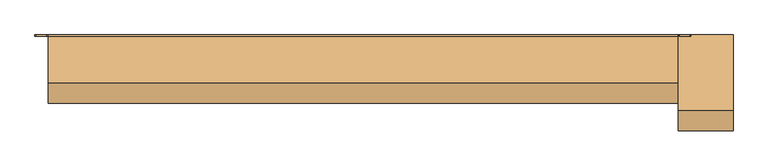
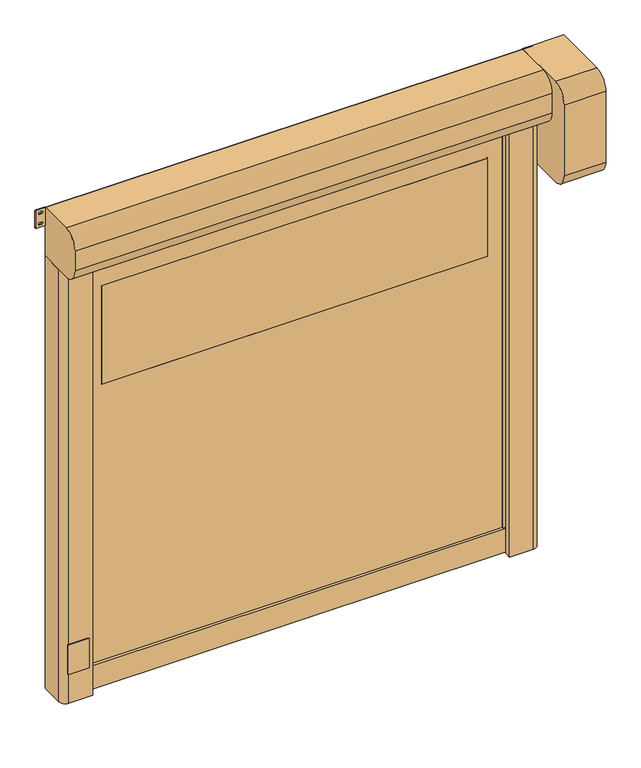
"""IFC4 building model written with IfcOpenShell, lengths in millimetres: door geometry."""

from ifc_helpers import new_model, si_unit, point, frame, frame_2d, origin, origin_with_axes, place, context, project, spatial, polyline, circle_curve, trimmed, segment, composite_curve, outline, extrude, source, transform, mapped, element, save


def door_fc38a23d(model_context):
    return source(origin(), model_context, "Body", "SweptSolid", [
        extrude(outline(composite_curve([segment(trimmed(circle_curve(frame_2d((1416.6666667, 1041.0)), 6.0), [point((1422.6666667, 1041.0))], [point((1410.6666667, 1041.0))], False, "CARTESIAN"), True, "CONTINUOUS"), segment(polyline([(1410.6666667, 1041.0), (1410.6666667, 1059.0)]), True, "CONTINUOUS"), segment(trimmed(circle_curve(frame_2d((1416.6666667, 1059.0)), 6.0), [point((1410.6666667, 1059.0))], [point((1422.6666667, 1059.0))], False, "CARTESIAN"), True, "CONTINUOUS"), segment(polyline([(1422.6666667, 1059.0), (1422.6666667, 1041.0)]), True, "CONTINUOUS")], self_intersect=False)), frame((0.0, -20.0, 0.0), z_axis=(0.0, 1.0, 0.0), x_axis=(0.0, 0.0, 1.0)), (0.0, 0.0, 1.0), 20.0),
        extrude(outline(composite_curve([segment(trimmed(circle_curve(frame_2d((783.3333333, 1041.0)), 6.0), [point((789.3333333, 1041.0))], [point((777.3333333, 1041.0))], False, "CARTESIAN"), True, "CONTINUOUS"), segment(polyline([(777.3333333, 1041.0), (777.3333333, 1059.0)]), True, "CONTINUOUS"), segment(trimmed(circle_curve(frame_2d((783.3333333, 1059.0)), 6.0), [point((777.3333333, 1059.0))], [point((789.3333333, 1059.0))], False, "CARTESIAN"), True, "CONTINUOUS"), segment(polyline([(789.3333333, 1059.0), (789.3333333, 1041.0)]), True, "CONTINUOUS")], self_intersect=False)), frame((0.0, -20.0, 0.0), z_axis=(0.0, 1.0, 0.0), x_axis=(0.0, 0.0, 1.0)), (0.0, 0.0, 1.0), 20.0),
        extrude(outline(composite_curve([segment(trimmed(circle_curve(frame_2d((2050.0, 1041.0)), 6.0), [point((2056.0, 1041.0))], [point((2044.0, 1041.0))], False, "CARTESIAN"), True, "CONTINUOUS"), segment(polyline([(2044.0, 1041.0), (2044.0, 1059.0)]), True, "CONTINUOUS"), segment(trimmed(circle_curve(frame_2d((2050.0, 1059.0)), 6.0), [point((2044.0, 1059.0))], [point((2056.0, 1059.0))], False, "CARTESIAN"), True, "CONTINUOUS"), segment(polyline([(2056.0, 1059.0), (2056.0, 1041.0)]), True, "CONTINUOUS")], self_intersect=False)), frame((0.0, -20.0, 0.0), z_axis=(0.0, 1.0, 0.0), x_axis=(0.0, 0.0, 1.0)), (0.0, 0.0, 1.0), 20.0),
        extrude(outline(composite_curve([segment(trimmed(circle_curve(frame_2d((150.0, 1041.0)), 6.0), [point((156.0, 1041.0))], [point((144.0, 1041.0))], False, "CARTESIAN"), True, "CONTINUOUS"), segment(polyline([(144.0, 1041.0), (144.0, 1059.0)]), True, "CONTINUOUS"), segment(trimmed(circle_curve(frame_2d((150.0, 1059.0)), 6.0), [point((144.0, 1059.0))], [point((156.0, 1059.0))], False, "CARTESIAN"), True, "CONTINUOUS"), segment(polyline([(156.0, 1059.0), (156.0, 1041.0)]), True, "CONTINUOUS")], self_intersect=False)), frame((0.0, -20.0, 0.0), z_axis=(0.0, 1.0, 0.0), x_axis=(0.0, 0.0, 1.0)), (0.0, 0.0, 1.0), 20.0),
        extrude(outline(composite_curve([segment(polyline([(1422.6666667, -1041.0), (1422.6666667, -1059.0)]), True, "CONTINUOUS"), segment(trimmed(circle_curve(frame_2d((1416.6666667, -1059.0)), 6.0), [point((1422.6666667, -1059.0))], [point((1410.6666667, -1059.0))], False, "CARTESIAN"), True, "CONTINUOUS"), segment(polyline([(1410.6666667, -1059.0), (1410.6666667, -1041.0)]), True, "CONTINUOUS"), segment(trimmed(circle_curve(frame_2d((1416.6666667, -1041.0)), 6.0), [point((1410.6666667, -1041.0))], [point((1422.6666667, -1041.0))], False, "CARTESIAN"), True, "CONTINUOUS")], self_intersect=False)), frame((0.0, -20.0, 0.0), z_axis=(0.0, 1.0, 0.0), x_axis=(0.0, 0.0, 1.0)), (0.0, 0.0, 1.0), 20.0),
        extrude(outline(composite_curve([segment(polyline([(789.3333333, -1041.0), (789.3333333, -1059.0)]), True, "CONTINUOUS"), segment(trimmed(circle_curve(frame_2d((783.3333333, -1059.0)), 6.0), [point((789.3333333, -1059.0))], [point((777.3333333, -1059.0))], False, "CARTESIAN"), True, "CONTINUOUS"), segment(polyline([(777.3333333, -1059.0), (777.3333333, -1041.0)]), True, "CONTINUOUS"), segment(trimmed(circle_curve(frame_2d((783.3333333, -1041.0)), 6.0), [point((777.3333333, -1041.0))], [point((789.3333333, -1041.0))], False, "CARTESIAN"), True, "CONTINUOUS")], self_intersect=False)), frame((0.0, -20.0, 0.0), z_axis=(0.0, 1.0, 0.0), x_axis=(0.0, 0.0, 1.0)), (0.0, 0.0, 1.0), 20.0),
        extrude(outline(composite_curve([segment(polyline([(2056.0, -1041.0), (2056.0, -1059.0)]), True, "CONTINUOUS"), segment(trimmed(circle_curve(frame_2d((2050.0, -1059.0)), 6.0), [point((2056.0, -1059.0))], [point((2044.0, -1059.0))], False, "CARTESIAN"), True, "CONTINUOUS"), segment(polyline([(2044.0, -1059.0), (2044.0, -1041.0)]), True, "CONTINUOUS"), segment(trimmed(circle_curve(frame_2d((2050.0, -1041.0)), 6.0), [point((2044.0, -1041.0))], [point((2056.0, -1041.0))], False, "CARTESIAN"), True, "CONTINUOUS")], self_intersect=False)), frame((0.0, -20.0, 0.0), z_axis=(0.0, 1.0, 0.0), x_axis=(0.0, 0.0, 1.0)), (0.0, 0.0, 1.0), 20.0),
        extrude(outline(composite_curve([segment(polyline([(156.0, -1041.0), (156.0, -1059.0)]), True, "CONTINUOUS"), segment(trimmed(circle_curve(frame_2d((150.0, -1059.0)), 6.0), [point((156.0, -1059.0))], [point((144.0, -1059.0))], False, "CARTESIAN"), True, "CONTINUOUS"), segment(polyline([(144.0, -1059.0), (144.0, -1041.0)]), True, "CONTINUOUS"), segment(trimmed(circle_curve(frame_2d((150.0, -1041.0)), 6.0), [point((144.0, -1041.0))], [point((156.0, -1041.0))], False, "CARTESIAN"), True, "CONTINUOUS")], self_intersect=False)), frame((0.0, -20.0, 0.0), z_axis=(0.0, 1.0, 0.0), x_axis=(0.0, 0.0, 1.0)), (0.0, 0.0, 1.0), 20.0),
        extrude(outline(composite_curve([segment(trimmed(circle_curve(frame_2d((1526.0, 929.0)), 1.0), [point((1525.0, 929.0))], [point((1526.0, 930.0))], False, "CARTESIAN"), True, "CONTINUOUS"), segment(polyline([(1526.0, 930.0), (2024.0, 930.0)]), True, "CONTINUOUS"), segment(trimmed(circle_curve(frame_2d((2024.0, 929.0)), 1.0), [point((2024.0, 930.0))], [point((2025.0, 929.0))], False, "CARTESIAN"), True, "CONTINUOUS"), segment(polyline([(2025.0, 929.0), (2025.0, -929.0)]), True, "CONTINUOUS"), segment(trimmed(circle_curve(frame_2d((2024.0, -929.0)), 1.0), [point((2025.0, -929.0))], [point((2024.0, -930.0))], False, "CARTESIAN"), True, "CONTINUOUS"), segment(polyline([(2024.0, -930.0), (1526.0, -930.0)]), True, "CONTINUOUS"), segment(trimmed(circle_curve(frame_2d((1526.0, -929.0)), 1.0), [point((1526.0, -930.0))], [point((1525.0, -929.0))], False, "CARTESIAN"), True, "CONTINUOUS"), segment(polyline([(1525.0, -929.0), (1525.0, 929.0)]), True, "CONTINUOUS")], self_intersect=False)), frame((0.0, -91.0, 0.0), z_axis=(0.0, 1.0, 0.0), x_axis=(0.0, 0.0, 1.0)), (0.0, 0.0, 1.0), 7.0),
        extrude(outline(polyline([(120.0, -1012.0), (120.0, 1012.0), (2325.0, 1012.0), (2325.0, -1012.0), (120.0, -1012.0)]), holes=[composite_curve([segment(trimmed(circle_curve(frame_2d((1526.0, 929.0)), 1.0), [point((1526.0, 930.0))], [point((1525.0, 929.0))], True, "CARTESIAN"), True, "CONTINUOUS"), segment(polyline([(1525.0, 929.0), (1525.0, -929.0)]), True, "CONTINUOUS"), segment(trimmed(circle_curve(frame_2d((1526.0, -929.0)), 1.0), [point((1525.0, -929.0))], [point((1526.0, -930.0))], True, "CARTESIAN"), True, "CONTINUOUS"), segment(polyline([(1526.0, -930.0), (2024.0, -930.0)]), True, "CONTINUOUS"), segment(trimmed(circle_curve(frame_2d((2024.0, -929.0)), 1.0), [point((2024.0, -930.0))], [point((2025.0, -929.0))], True, "CARTESIAN"), True, "CONTINUOUS"), segment(polyline([(2025.0, -929.0), (2025.0, 929.0)]), True, "CONTINUOUS"), segment(trimmed(circle_curve(frame_2d((2024.0, 929.0)), 1.0), [point((2025.0, 929.0))], [point((2024.0, 930.0))], True, "CARTESIAN"), True, "CONTINUOUS"), segment(polyline([(2024.0, 930.0), (1526.0, 930.0)]), True, "CONTINUOUS")], self_intersect=False)]), frame((0.0, -91.0, 0.0), z_axis=(0.0, 1.0, 0.0), x_axis=(0.0, 0.0, 1.0)), (0.0, 0.0, 1.0), 7.0),
        extrude(outline(polyline([(-1012.0, -69.5), (1012.0, -69.5), (1012.0, -105.5), (-1012.0, -105.5), (-1012.0, -69.5)])), origin_with_axes(), (0.0, 0.0, 1.0), 120.0),
        extrude(outline(composite_curve([segment(trimmed(circle_curve(frame_2d((2363.75, 1155.75)), 5.75), [point((2363.75, 1150.0))], [point((2358.0, 1155.75))], False, "CARTESIAN"), True, "CONTINUOUS"), segment(polyline([(2358.0, 1155.75), (2358.0, 1193.25)]), True, "CONTINUOUS"), segment(trimmed(circle_curve(frame_2d((2363.75, 1193.25)), 5.75), [point((2358.0, 1193.25))], [point((2363.75, 1199.0))], False, "CARTESIAN"), True, "CONTINUOUS"), segment(polyline([(2363.75, 1199.0), (2444.25, 1199.0)]), True, "CONTINUOUS"), segment(trimmed(circle_curve(frame_2d((2444.25, 1193.25)), 5.75), [point((2444.25, 1199.0))], [point((2450.0, 1193.25))], False, "CARTESIAN"), True, "CONTINUOUS"), segment(polyline([(2450.0, 1193.25), (2450.0, 1155.75)]), True, "CONTINUOUS"), segment(trimmed(circle_curve(frame_2d((2444.25, 1155.75)), 5.75), [point((2450.0, 1155.75))], [point((2444.25, 1150.0))], False, "CARTESIAN"), True, "CONTINUOUS"), segment(polyline([(2444.25, 1150.0), (2363.75, 1150.0)]), True, "CONTINUOUS")], self_intersect=False), holes=[composite_curve([segment(trimmed(circle_curve(frame_2d((2431.5, 1178.75)), 5.75), [point((2437.25, 1178.75))], [point((2425.75, 1178.75))], True, "CARTESIAN"), True, "CONTINUOUS"), segment(polyline([(2425.75, 1178.75), (2425.75, 1170.25)]), True, "CONTINUOUS"), segment(trimmed(circle_curve(frame_2d((2431.5, 1170.25)), 5.75), [point((2425.75, 1170.25))], [point((2437.25, 1170.25))], True, "CARTESIAN"), True, "CONTINUOUS"), segment(polyline([(2437.25, 1170.25), (2437.25, 1178.75)]), True, "CONTINUOUS")], self_intersect=False), composite_curve([segment(trimmed(circle_curve(frame_2d((2376.5, 1178.75)), 5.75), [point((2382.25, 1178.75))], [point((2370.75, 1178.75))], True, "CARTESIAN"), True, "CONTINUOUS"), segment(polyline([(2370.75, 1178.75), (2370.75, 1170.25)]), True, "CONTINUOUS"), segment(trimmed(circle_curve(frame_2d((2376.5, 1170.25)), 5.75), [point((2370.75, 1170.25))], [point((2382.25, 1170.25))], True, "CARTESIAN"), True, "CONTINUOUS"), segment(polyline([(2382.25, 1170.25), (2382.25, 1178.75)]), True, "CONTINUOUS")], self_intersect=False)]), frame((0.0, -5.0, 0.0), z_axis=(0.0, 1.0, 0.0), x_axis=(0.0, 0.0, 1.0)), (0.0, 0.0, 1.0), 5.0),
        extrude(outline(composite_curve([segment(trimmed(circle_curve(frame_2d((2363.75, -1193.25)), 5.75), [point((2363.75, -1199.0))], [point((2358.0, -1193.25))], False, "CARTESIAN"), True, "CONTINUOUS"), segment(polyline([(2358.0, -1193.25), (2358.0, -1155.75)]), True, "CONTINUOUS"), segment(trimmed(circle_curve(frame_2d((2363.75, -1155.75)), 5.75), [point((2358.0, -1155.75))], [point((2363.75, -1150.0))], False, "CARTESIAN"), True, "CONTINUOUS"), segment(polyline([(2363.75, -1150.0), (2444.25, -1150.0)]), True, "CONTINUOUS"), segment(trimmed(circle_curve(frame_2d((2444.25, -1155.75)), 5.75), [point((2444.25, -1150.0))], [point((2450.0, -1155.75))], False, "CARTESIAN"), True, "CONTINUOUS"), segment(polyline([(2450.0, -1155.75), (2450.0, -1193.25)]), True, "CONTINUOUS"), segment(trimmed(circle_curve(frame_2d((2444.25, -1193.25)), 5.75), [point((2450.0, -1193.25))], [point((2444.25, -1199.0))], False, "CARTESIAN"), True, "CONTINUOUS"), segment(polyline([(2444.25, -1199.0), (2363.75, -1199.0)]), True, "CONTINUOUS")], self_intersect=False), holes=[composite_curve([segment(trimmed(circle_curve(frame_2d((2431.5, -1170.25)), 5.75), [point((2437.25, -1170.25))], [point((2425.75, -1170.25))], True, "CARTESIAN"), True, "CONTINUOUS"), segment(polyline([(2425.75, -1170.25), (2425.75, -1178.75)]), True, "CONTINUOUS"), segment(trimmed(circle_curve(frame_2d((2431.5, -1178.75)), 5.75), [point((2425.75, -1178.75))], [point((2437.25, -1178.75))], True, "CARTESIAN"), True, "CONTINUOUS"), segment(polyline([(2437.25, -1178.75), (2437.25, -1170.25)]), True, "CONTINUOUS")], self_intersect=False), composite_curve([segment(trimmed(circle_curve(frame_2d((2376.5, -1170.25)), 5.75), [point((2382.25, -1170.25))], [point((2370.75, -1170.25))], True, "CARTESIAN"), True, "CONTINUOUS"), segment(polyline([(2370.75, -1170.25), (2370.75, -1178.75)]), True, "CONTINUOUS"), segment(trimmed(circle_curve(frame_2d((2376.5, -1178.75)), 5.75), [point((2370.75, -1178.75))], [point((2382.25, -1178.75))], True, "CARTESIAN"), True, "CONTINUOUS"), segment(polyline([(2382.25, -1178.75), (2382.25, -1170.25)]), True, "CONTINUOUS")], self_intersect=False)]), frame((0.0, -5.0, 0.0), z_axis=(0.0, 1.0, 0.0), x_axis=(0.0, 0.0, 1.0)), (0.0, 0.0, 1.0), 5.0),
        extrude(outline(polyline([(-1125.0, -145.0), (-1025.0, -145.0), (-1025.0, -150.0), (-1125.0, -150.0), (-1125.0, -145.0)])), frame((0.0, 0.0, 150.0), z_axis=(0.0, 0.0, 1.0), x_axis=(1.0, 0.0, 0.0)), (0.0, 0.0, 1.0), 150.0),
        extrude(outline(composite_curve([segment(polyline([(-1150.0, 0.0), (-1015.0, 0.0), (-1015.0, -71.7857143), (-1035.0, -77.5), (-1000.0, -77.5), (-1000.0, -84.0), (-1020.0, -84.0), (-1020.0, -91.0), (-1000.0, -91.0), (-1000.0, -97.5), (-1035.0, -97.5), (-1035.0, -112.5), (-1005.0, -112.5), (-1005.0, -145.0), (-1120.0, -145.0)]), True, "CONTINUOUS"), segment(trimmed(circle_curve(frame_2d((-1120.0, -115.0)), 30.0), [point((-1120.0, -145.0))], [point((-1150.0, -115.0))], False, "CARTESIAN"), True, "CONTINUOUS"), segment(polyline([(-1150.0, -115.0), (-1150.0, 0.0)]), True, "CONTINUOUS")], self_intersect=False)), origin_with_axes(), (0.0, 0.0, 1.0), 2200.0),
        extrude(outline(composite_curve([segment(polyline([(1150.0, 0.0), (1150.0, -115.0)]), True, "CONTINUOUS"), segment(trimmed(circle_curve(frame_2d((1120.0, -115.0)), 30.0), [point((1150.0, -115.0))], [point((1120.0, -145.0))], False, "CARTESIAN"), True, "CONTINUOUS"), segment(polyline([(1120.0, -145.0), (1005.0, -145.0), (1005.0, -112.5), (1035.0, -112.5), (1035.0, -97.5), (1000.0, -97.5), (1000.0, -91.0), (1020.0, -91.0), (1020.0, -84.0), (1000.0, -84.0), (1000.0, -77.5), (1035.0, -77.5), (1015.0, -71.7857143), (1015.0, 0.0), (1150.0, 0.0)]), True, "CONTINUOUS")], self_intersect=False)), origin_with_axes(), (0.0, 0.0, 1.0), 2200.0),
        extrude(outline(composite_curve([segment(polyline([(0.0, 2450.0), (0.0, 1940.0), (-275.0, 1940.0)]), True, "CONTINUOUS"), segment(trimmed(circle_curve(frame_2d((-275.0, 2015.0)), 75.0), [point((-275.0, 1940.0))], [point((-350.0, 2015.0))], False, "CARTESIAN"), True, "CONTINUOUS"), segment(polyline([(-350.0, 2015.0), (-350.0, 2375.0)]), True, "CONTINUOUS"), segment(trimmed(circle_curve(frame_2d((-275.0, 2375.0)), 75.0), [point((-350.0, 2375.0))], [point((-275.0, 2450.0))], False, "CARTESIAN"), True, "CONTINUOUS"), segment(polyline([(-275.0, 2450.0), (0.0, 2450.0)]), True, "CONTINUOUS")], self_intersect=False)), frame((1150.0, 0.0, 0.0), z_axis=(1.0, 0.0, 0.0), x_axis=(0.0, 1.0, 0.0)), (0.0, 0.0, 1.0), 200.0),
        extrude(outline(composite_curve([segment(trimmed(circle_curve(frame_2d((-5.0, 2205.0)), 5.0), [point((0.0, 2205.0))], [point((-5.0, 2200.0))], False, "CARTESIAN"), True, "CONTINUOUS"), segment(polyline([(-5.0, 2200.0), (-175.0, 2200.0)]), True, "CONTINUOUS"), segment(trimmed(circle_curve(frame_2d((-175.0, 2275.0)), 75.0), [point((-175.0, 2200.0))], [point((-250.0, 2275.0))], False, "CARTESIAN"), True, "CONTINUOUS"), segment(polyline([(-250.0, 2275.0), (-250.0, 2375.0)]), True, "CONTINUOUS"), segment(trimmed(circle_curve(frame_2d((-175.0, 2375.0)), 75.0), [point((-250.0, 2375.0))], [point((-175.0, 2450.0))], False, "CARTESIAN"), True, "CONTINUOUS"), segment(polyline([(-175.0, 2450.0), (-5.0, 2450.0)]), True, "CONTINUOUS"), segment(trimmed(circle_curve(frame_2d((-5.0, 2445.0)), 5.0), [point((-5.0, 2450.0))], [point((0.0, 2445.0))], False, "CARTESIAN"), True, "CONTINUOUS"), segment(polyline([(0.0, 2445.0), (0.0, 2205.0)]), True, "CONTINUOUS")], self_intersect=False)), frame((-1150.0, 0.0, 0.0), z_axis=(1.0, 0.0, 0.0), x_axis=(0.0, 1.0, 0.0)), (0.0, 0.0, 1.0), 2300.0),
    ])


if __name__ == "__main__":
    model = new_model("IFC4")
    model_context = context("Model", 3, world=origin())
    ifc_project = project(units=[si_unit("LENGTHUNIT", "METRE", prefix="MILLI")], contexts=[model_context])
    site = spatial("IfcSite", under=ifc_project)
    building = spatial("IfcBuilding", under=site)
    placement = place(None, origin())
    door_shape = door_fc38a23d(model_context)
    element("IfcDoor", 1, at=placement, inside=building, context=model_context, shape_type="MappedRepresentation", body=[
        mapped(door_shape, transform((0.0, 0.0, 0.0), x_axis=(1.0, 0.0, 0.0), y_axis=(0.0, 1.0, 0.0), z_axis=(0.0, 0.0, 1.0))),
    ])
    save(model, "model.ifc")
